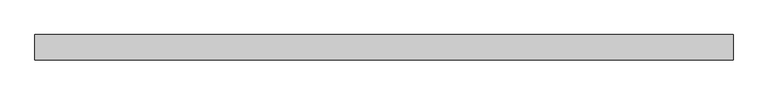
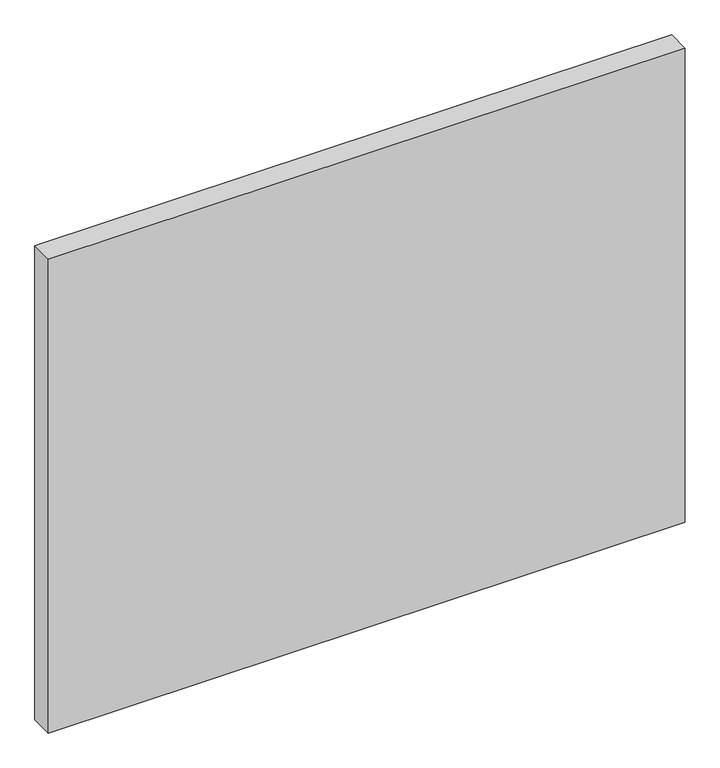
"""IFC4 building model written with IfcOpenShell, lengths in millimetres: plate geometry."""

from ifc_helpers import new_model, si_unit, origin, origin_with_axes, place, context, project, spatial, polyline, outline, extrude, source, transform, mapped, element, save


def plate_88a3cac9(model_context):
    return source(origin(), model_context, "Body", "SweptSolid", [
        extrude(outline(polyline([(690.0, -25.0), (-690.0, -25.0), (-690.0, 25.0), (690.0, 25.0), (690.0, -25.0)])), origin_with_axes(), (0.0, 0.0, 1.0), 1085.0),
    ])


if __name__ == "__main__":
    model = new_model("IFC4")
    model_context = context("Model", 3, world=origin())
    ifc_project = project(units=[si_unit("LENGTHUNIT", "METRE", prefix="MILLI")], contexts=[model_context])
    site = spatial("IfcSite", under=ifc_project)
    building = spatial("IfcBuilding", under=site)
    placement = place(None, origin())
    plate_shape = plate_88a3cac9(model_context)
    element("IfcPlate", 1, at=placement, inside=building, context=model_context, shape_type="MappedRepresentation", body=[
        mapped(plate_shape, transform((0.0, 0.0, 0.0), x_axis=(1.0, 0.0, 0.0), y_axis=(0.0, 1.0, 0.0), z_axis=(0.0, 0.0, 1.0))),
    ])
    save(model, "model.ifc")
